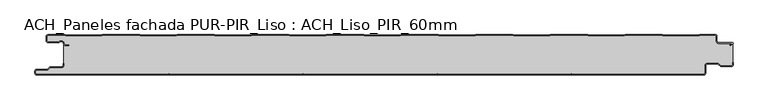
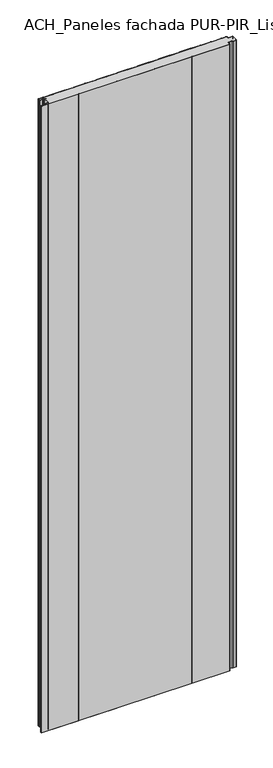
"""IFC4 building model written with IfcOpenShell, lengths in millimetres: plate geometry, ACH_Paneles fachada PUR-PIR_Liso : ACH_Liso_PIR_60mm."""

from ifc_helpers import new_model, si_unit, point, frame_2d, origin, origin_with_axes, place, context, project, spatial, polyline, circle_curve, trimmed, segment, composite_curve, outline, extrude, source, transform, mapped, element, save


def ach_paneles_fachada_pur_pir_liso_ach_liso_pir_60mm_f3cd5d9a(model_context):
    return source(origin(), model_context, "Body", "SweptSolid", [
        extrude(outline(composite_curve([segment(trimmed(circle_curve(frame_2d((-514.5, -57.5)), 2.5), [point((-514.5, -60.0))], [point((-517.0, -57.5))], False, "CARTESIAN"), True, "CONTINUOUS"), segment(polyline([(-517.0, -57.5), (-517.0, -54.5)]), True, "CONTINUOUS"), segment(trimmed(circle_curve(frame_2d((-514.5, -54.5)), 2.5), [point((-517.0, -54.5))], [point((-514.5, -52.0))], False, "CARTESIAN"), True, "CONTINUOUS"), segment(polyline([(-514.5, -52.0), (-498.5, -52.0), (-494.75, -48.25), (-477.0, -48.25)]), True, "CONTINUOUS"), segment(trimmed(circle_curve(frame_2d((-477.0, -46.25)), 2.0), [point((-477.0, -48.25))], [point((-475.0, -46.25))], True, "CARTESIAN"), True, "CONTINUOUS"), segment(polyline([(-475.0, -46.25), (-475.0, -43.25), (-474.2, -43.25), (-474.2, -46.25)]), True, "CONTINUOUS"), segment(trimmed(circle_curve(frame_2d((-477.0, -46.25)), 2.8), [point((-474.2, -46.25))], [point((-477.0, -49.05))], False, "CARTESIAN"), True, "CONTINUOUS"), segment(polyline([(-477.0, -49.05), (-494.4186292, -49.05), (-498.1686292, -52.8), (-514.5, -52.8)]), True, "CONTINUOUS"), segment(trimmed(circle_curve(frame_2d((-514.5, -54.5)), 1.7), [point((-514.5, -52.8))], [point((-516.2, -54.5))], True, "CARTESIAN"), True, "CONTINUOUS"), segment(polyline([(-516.2, -54.5), (-516.2, -57.5)]), True, "CONTINUOUS"), segment(trimmed(circle_curve(frame_2d((-514.5, -57.5)), 1.7), [point((-516.2, -57.5))], [point((-514.5, -59.2))], True, "CARTESIAN"), True, "CONTINUOUS"), segment(polyline([(-514.5, -59.2), (480.5, -59.2)]), True, "CONTINUOUS"), segment(trimmed(circle_curve(frame_2d((480.5, -57.5)), 1.7), [point((480.5, -59.2))], [point((482.2, -57.5))], True, "CARTESIAN"), True, "CONTINUOUS"), segment(polyline([(482.2, -57.5), (482.2, -46.0)]), True, "CONTINUOUS"), segment(trimmed(circle_curve(frame_2d((485.0, -46.0)), 2.8), [point((482.2, -46.0))], [point((485.0, -43.2))], False, "CARTESIAN"), True, "CONTINUOUS"), segment(polyline([(485.0, -43.2), (501.7886271, -43.2), (505.8492873, -46.95), (521.5, -46.95)]), True, "CONTINUOUS"), segment(trimmed(circle_curve(frame_2d((521.5, -45.25)), 1.7), [point((521.5, -46.95))], [point((523.2, -45.25))], True, "CARTESIAN"), True, "CONTINUOUS"), segment(polyline([(523.2, -45.25), (523.2, -41.75), (524.0, -41.75), (524.0, -45.25)]), True, "CONTINUOUS"), segment(trimmed(circle_curve(frame_2d((521.5, -45.25)), 2.5), [point((524.0, -45.25))], [point((521.5, -47.75))], False, "CARTESIAN"), True, "CONTINUOUS"), segment(polyline([(521.5, -47.75), (505.5363961, -47.75), (501.4757359, -44.0), (485.0, -44.0)]), True, "CONTINUOUS"), segment(trimmed(circle_curve(frame_2d((485.0, -46.0)), 2.0), [point((485.0, -44.0))], [point((483.0, -46.0))], True, "CARTESIAN"), True, "CONTINUOUS"), segment(polyline([(483.0, -46.0), (483.0, -57.5)]), True, "CONTINUOUS"), segment(trimmed(circle_curve(frame_2d((480.5, -57.5)), 2.5), [point((483.0, -57.5))], [point((480.5, -60.0))], False, "CARTESIAN"), True, "CONTINUOUS"), segment(polyline([(480.5, -60.0), (-514.5, -60.0)]), True, "CONTINUOUS")], self_intersect=False)), origin_with_axes(), (0.0, 0.0, 1.0), 3500.0),
        extrude(outline(composite_curve([segment(trimmed(circle_curve(frame_2d((-497.49499, -9.0180361)), 2.50501), [point((-497.49499, -11.5230461))], [point((-500.0, -9.0180361))], False, "CARTESIAN"), True, "CONTINUOUS"), segment(polyline([(-500.0, -9.0180361), (-500.0, -2.50501)]), True, "CONTINUOUS"), segment(trimmed(circle_curve(frame_2d((-497.49499, -2.50501)), 2.50501), [point((-500.0, -2.50501))], [point((-497.49499, 0.0))], False, "CARTESIAN"), True, "CONTINUOUS"), segment(polyline([(-497.49499, 0.0), (-472.2103007, 0.0), (-471.028188, -0.6012024), (-417.6391467, -0.6012024), (-416.457034, 0.0), (-360.8776353, 0.0), (-359.6955227, -0.6012024), (-306.3064814, -0.6012024), (-305.1243687, 0.0), (-249.54497, 0.0), (-248.3628573, -0.6012024), (-194.973816, -0.6012024), (-193.7917033, 0.0), (-138.2123047, 0.0), (-137.030192, -0.6012024), (-83.6411507, -0.6012024), (-82.459038, 0.0), (-26.8796393, 0.0), (-25.6975267, -0.6012024), (27.6915146, -0.6012024), (28.8736273, 0.0), (84.453026, 0.0), (85.6351387, -0.6012024), (139.02418, -0.6012024), (140.2062927, 0.0), (195.7856913, 0.0), (196.967804, -0.6012024), (250.3568453, -0.6012024), (251.538958, 0.0), (307.1183566, 0.0), (308.3004693, -0.6012024), (361.6895106, -0.6012024), (362.8716233, 0.0), (418.451022, 0.0), (419.6331347, -0.6012024), (473.022176, -0.6012024), (474.2042886, 0.0), (497.49499, 0.0)]), True, "CONTINUOUS"), segment(trimmed(circle_curve(frame_2d((497.49499, -2.50501)), 2.50501), [point((497.49499, 0.0))], [point((500.0, -2.50501))], False, "CARTESIAN"), True, "CONTINUOUS"), segment(polyline([(500.0, -2.50501), (500.0, -10.0200401)]), True, "CONTINUOUS"), segment(trimmed(circle_curve(frame_2d((502.004008, -10.0200401)), 2.004008), [point((500.0, -10.0200401))], [point((502.004008, -12.0240481))], True, "CARTESIAN"), True, "CONTINUOUS"), segment(polyline([(502.004008, -12.0240481), (522.96027, -12.0240481)]), True, "CONTINUOUS"), segment(trimmed(circle_curve(frame_2d((522.96027, -13.0490481)), 1.025), [point((522.96027, -12.0240481))], [point((523.47277, -13.9367241))], False, "CARTESIAN"), True, "CONTINUOUS"), segment(polyline([(523.47277, -13.9367241), (519.5390782, -16.2078422), (519.1390782, -15.5150218), (522.183956, -13.7570608)]), True, "CONTINUOUS"), segment(trimmed(circle_curve(frame_2d((521.933956, -13.3240481)), 0.5), [point((522.183956, -13.7570608))], [point((521.933956, -12.8240481))], True, "CARTESIAN"), True, "CONTINUOUS"), segment(polyline([(521.933956, -12.8240481), (502.004008, -12.8240481)]), True, "CONTINUOUS"), segment(trimmed(circle_curve(frame_2d((502.004008, -10.0200401)), 2.804008), [point((502.004008, -12.8240481))], [point((499.2, -10.0200401))], False, "CARTESIAN"), True, "CONTINUOUS"), segment(polyline([(499.2, -10.0200401), (499.2, -2.50501)]), True, "CONTINUOUS"), segment(trimmed(circle_curve(frame_2d((497.49499, -2.50501)), 1.70501), [point((499.2, -2.50501))], [point((497.49499, -0.8))], True, "CARTESIAN"), True, "CONTINUOUS"), segment(polyline([(497.49499, -0.8), (474.396035, -0.8), (473.2139223, -1.4012024), (419.4413883, -1.4012024), (418.2592756, -0.8), (363.0633697, -0.8), (361.881257, -1.4012024), (308.108723, -1.4012024), (306.9266103, -0.8), (251.7307044, -0.8), (250.5485917, -1.4012024), (196.7760576, -1.4012024), (195.5939449, -0.8), (140.398039, -0.8), (139.2159263, -1.4012024), (85.4433923, -1.4012024), (84.2612796, -0.8), (29.0653737, -0.8), (27.883261, -1.4012024), (-25.889273, -1.4012024), (-27.0713857, -0.8), (-82.2672916, -0.8), (-83.4494043, -1.4012024), (-137.2219384, -1.4012024), (-138.4040511, -0.8), (-193.599957, -0.8), (-194.7820696, -1.4012024), (-248.5546037, -1.4012024), (-249.7367164, -0.8), (-304.9326223, -0.8), (-306.114735, -1.4012024), (-359.887269, -1.4012024), (-361.0693817, -0.8), (-416.2652876, -0.8), (-417.4474003, -1.4012024), (-471.2199344, -1.4012024), (-472.4020471, -0.8), (-497.49499, -0.8)]), True, "CONTINUOUS"), segment(trimmed(circle_curve(frame_2d((-497.49499, -2.50501)), 1.70501), [point((-497.49499, -0.8))], [point((-499.2, -2.50501))], True, "CARTESIAN"), True, "CONTINUOUS"), segment(polyline([(-499.2, -2.50501), (-499.2, -9.0180361)]), True, "CONTINUOUS"), segment(trimmed(circle_curve(frame_2d((-497.49499, -9.0180361)), 1.70501), [point((-499.2, -9.0180361))], [point((-497.49499, -10.7230461))], True, "CARTESIAN"), True, "CONTINUOUS"), segment(polyline([(-497.49499, -10.7230461), (-481.8173283, -10.7230461)]), True, "CONTINUOUS"), segment(trimmed(circle_curve(frame_2d((-481.8173283, -9.0180361)), 1.70501), [point((-481.8173283, -10.7230461))], [point((-480.6895701, -10.2967936))], True, "CARTESIAN"), True, "CONTINUOUS"), segment(trimmed(circle_curve(frame_2d((-477.8407481, -13.5270541)), 4.307014), [point((-480.6895701, -10.2967936))], [point((-473.7934788, -12.0539686))], False, "CARTESIAN"), True, "CONTINUOUS"), segment(polyline([(-473.7934788, -12.0539686), (-473.0450711, -14.1102019)]), True, "CONTINUOUS"), segment(trimmed(circle_curve(frame_2d((-471.4428858, -13.5270541)), 1.70501), [point((-473.0450711, -14.1102019))], [point((-471.4428858, -15.2320641))], True, "CARTESIAN"), True, "CONTINUOUS"), segment(polyline([(-471.4428858, -15.2320641), (-466.4328657, -15.2320641), (-466.4328657, -16.0320641), (-471.4428858, -16.0320641)]), True, "CONTINUOUS"), segment(trimmed(circle_curve(frame_2d((-471.4428858, -13.5270541)), 2.50501), [point((-471.4428858, -16.0320641))], [point((-473.7968252, -14.383818))], False, "CARTESIAN"), True, "CONTINUOUS"), segment(polyline([(-473.7968252, -14.383818), (-474.5452329, -12.3275847)]), True, "CONTINUOUS"), segment(trimmed(circle_curve(frame_2d((-477.8407481, -13.5270541)), 3.507014), [point((-474.5452329, -12.3275847))], [point((-480.1604199, -10.8967936))], True, "CARTESIAN"), True, "CONTINUOUS"), segment(trimmed(circle_curve(frame_2d((-481.8173283, -9.0180361)), 2.50501), [point((-480.1604199, -10.8967936))], [point((-481.8173283, -11.5230461))], False, "CARTESIAN"), True, "CONTINUOUS"), segment(polyline([(-481.8173283, -11.5230461), (-497.49499, -11.5230461)]), True, "CONTINUOUS")], self_intersect=False)), origin_with_axes(), (0.0, 0.0, 1.0), 3500.0),
        extrude(outline(composite_curve([segment(polyline([(523.2, -12.8240481), (523.2, -45.25)]), True, "CONTINUOUS"), segment(trimmed(circle_curve(frame_2d((521.5, -45.25)), 1.7), [point((523.2, -45.25))], [point((521.5, -46.95))], False, "CARTESIAN"), True, "CONTINUOUS"), segment(polyline([(521.5, -46.95), (505.8492873, -46.95), (501.7886271, -43.2), (485.0, -43.2)]), True, "CONTINUOUS"), segment(trimmed(circle_curve(frame_2d((485.0, -46.0)), 2.8), [point((485.0, -43.2))], [point((482.2, -46.0))], True, "CARTESIAN"), True, "CONTINUOUS"), segment(polyline([(482.2, -46.0), (482.2, -57.5)]), True, "CONTINUOUS"), segment(trimmed(circle_curve(frame_2d((480.5, -57.5)), 1.7), [point((482.2, -57.5))], [point((480.5, -59.2))], False, "CARTESIAN"), True, "CONTINUOUS"), segment(polyline([(480.5, -59.2), (285.5, -59.2)]), True, "CONTINUOUS"), segment(trimmed(circle_curve(frame_2d((285.5, -57.5)), 1.7), [point((285.5, -59.2))], [point((284.0845596, -58.4415563))], False, "CARTESIAN"), True, "CONTINUOUS"), segment(trimmed(circle_curve(frame_2d((283.0, -59.1630095)), 1.302599), [point((284.0845596, -58.4415563))], [point((281.9154404, -58.4415563))], True, "CARTESIAN"), True, "CONTINUOUS"), segment(trimmed(circle_curve(frame_2d((280.5, -57.5)), 1.7), [point((281.9154404, -58.4415563))], [point((280.5, -59.2))], False, "CARTESIAN"), True, "CONTINUOUS"), segment(polyline([(280.5, -59.2), (85.5, -59.2)]), True, "CONTINUOUS"), segment(trimmed(circle_curve(frame_2d((85.5, -57.5)), 1.7), [point((85.5, -59.2))], [point((84.0845596, -58.4415563))], False, "CARTESIAN"), True, "CONTINUOUS"), segment(trimmed(circle_curve(frame_2d((83.0, -59.1630095)), 1.302599), [point((84.0845596, -58.4415563))], [point((81.9154404, -58.4415563))], True, "CARTESIAN"), True, "CONTINUOUS"), segment(trimmed(circle_curve(frame_2d((80.5, -57.5)), 1.7), [point((81.9154404, -58.4415563))], [point((80.5, -59.2))], False, "CARTESIAN"), True, "CONTINUOUS"), segment(polyline([(80.5, -59.2), (-114.5, -59.2)]), True, "CONTINUOUS"), segment(trimmed(circle_curve(frame_2d((-114.5, -57.5)), 1.7), [point((-114.5, -59.2))], [point((-115.9154404, -58.4415563))], False, "CARTESIAN"), True, "CONTINUOUS"), segment(trimmed(circle_curve(frame_2d((-117.0, -59.1630095)), 1.302599), [point((-115.9154404, -58.4415563))], [point((-118.0845596, -58.4415563))], True, "CARTESIAN"), True, "CONTINUOUS"), segment(trimmed(circle_curve(frame_2d((-119.5, -57.5)), 1.7), [point((-118.0845596, -58.4415563))], [point((-119.5, -59.2))], False, "CARTESIAN"), True, "CONTINUOUS"), segment(polyline([(-119.5, -59.2), (-314.5, -59.2)]), True, "CONTINUOUS"), segment(trimmed(circle_curve(frame_2d((-314.5, -57.5)), 1.7), [point((-314.5, -59.2))], [point((-315.9154404, -58.4415563))], False, "CARTESIAN"), True, "CONTINUOUS"), segment(trimmed(circle_curve(frame_2d((-317.0, -59.1630095)), 1.302599), [point((-315.9154404, -58.4415563))], [point((-318.0845596, -58.4415563))], True, "CARTESIAN"), True, "CONTINUOUS"), segment(trimmed(circle_curve(frame_2d((-319.5, -57.5)), 1.7), [point((-318.0845596, -58.4415563))], [point((-319.5, -59.2))], False, "CARTESIAN"), True, "CONTINUOUS"), segment(polyline([(-319.5, -59.2), (-514.5, -59.2)]), True, "CONTINUOUS"), segment(trimmed(circle_curve(frame_2d((-514.5, -57.5)), 1.7), [point((-514.5, -59.2))], [point((-516.2, -57.5))], False, "CARTESIAN"), True, "CONTINUOUS"), segment(polyline([(-516.2, -57.5), (-516.2, -54.5)]), True, "CONTINUOUS"), segment(trimmed(circle_curve(frame_2d((-514.5, -54.5)), 1.7), [point((-516.2, -54.5))], [point((-514.5, -52.8))], False, "CARTESIAN"), True, "CONTINUOUS"), segment(polyline([(-514.5, -52.8), (-498.1686292, -52.8), (-494.4186292, -49.05), (-477.0, -49.05)]), True, "CONTINUOUS"), segment(trimmed(circle_curve(frame_2d((-477.0, -46.25)), 2.8), [point((-477.0, -49.05))], [point((-474.2, -46.25))], True, "CARTESIAN"), True, "CONTINUOUS"), segment(polyline([(-474.2, -46.25), (-474.2, -11.2258973)]), True, "CONTINUOUS"), segment(trimmed(circle_curve(frame_2d((-477.8407481, -13.5270541)), 4.307014), [point((-474.2, -11.2258973))], [point((-480.6895701, -10.2967936))], True, "CARTESIAN"), True, "CONTINUOUS"), segment(trimmed(circle_curve(frame_2d((-481.8173283, -9.0180361)), 1.70501), [point((-480.6895701, -10.2967936))], [point((-481.8173283, -10.7230461))], False, "CARTESIAN"), True, "CONTINUOUS"), segment(polyline([(-481.8173283, -10.7230461), (-497.49499, -10.7230461)]), True, "CONTINUOUS"), segment(trimmed(circle_curve(frame_2d((-497.49499, -9.0180361)), 1.70501), [point((-497.49499, -10.7230461))], [point((-499.2, -9.0180361))], False, "CARTESIAN"), True, "CONTINUOUS"), segment(polyline([(-499.2, -9.0180361), (-499.2, -2.50501)]), True, "CONTINUOUS"), segment(trimmed(circle_curve(frame_2d((-497.49499, -2.50501)), 1.70501), [point((-499.2, -2.50501))], [point((-497.49499, -0.8))], False, "CARTESIAN"), True, "CONTINUOUS"), segment(polyline([(-497.49499, -0.8), (-472.4020471, -0.8), (-471.2199344, -1.4012024), (-417.4474003, -1.4012024), (-416.2652876, -0.8), (-361.0693817, -0.8), (-359.887269, -1.4012024), (-306.114735, -1.4012024), (-304.9326223, -0.8), (-249.7367164, -0.8), (-248.5546037, -1.4012024), (-194.7820696, -1.4012024), (-193.599957, -0.8), (-138.4040511, -0.8), (-137.2219384, -1.4012024), (-83.4494043, -1.4012024), (-82.2672916, -0.8), (-27.0713857, -0.8), (-25.889273, -1.4012024), (27.883261, -1.4012024), (29.0653737, -0.8), (84.2612796, -0.8), (85.4433923, -1.4012024), (139.2159263, -1.4012024), (140.398039, -0.8), (195.5939449, -0.8), (196.7760576, -1.4012024), (250.5485917, -1.4012024), (251.7307044, -0.8), (306.9266103, -0.8), (308.108723, -1.4012024), (361.881257, -1.4012024), (363.0633697, -0.8), (418.2592756, -0.8), (419.4413883, -1.4012024), (473.2139223, -1.4012024), (474.396035, -0.8), (497.49499, -0.8)]), True, "CONTINUOUS"), segment(trimmed(circle_curve(frame_2d((497.49499, -2.50501)), 1.70501), [point((497.49499, -0.8))], [point((499.2, -2.50501))], False, "CARTESIAN"), True, "CONTINUOUS"), segment(polyline([(499.2, -2.50501), (499.2, -10.0200401)]), True, "CONTINUOUS"), segment(trimmed(circle_curve(frame_2d((502.004008, -10.0200401)), 2.804008), [point((499.2, -10.0200401))], [point((502.004008, -12.8240481))], True, "CARTESIAN"), True, "CONTINUOUS"), segment(polyline([(502.004008, -12.8240481), (523.2, -12.8240481)]), True, "CONTINUOUS")], self_intersect=False)), origin_with_axes(), (0.0, 0.0, 1.0), 3500.0),
    ])


if __name__ == "__main__":
    model = new_model("IFC4")
    model_context = context("Model", 3, world=origin())
    ifc_project = project(units=[si_unit("LENGTHUNIT", "METRE", prefix="MILLI")], contexts=[model_context])
    site = spatial("IfcSite", under=ifc_project)
    building = spatial("IfcBuilding", under=site)
    placement = place(None, origin())
    ach_paneles_fachada_pur_pir_liso_ach_liso_pir_60mm_shape = ach_paneles_fachada_pur_pir_liso_ach_liso_pir_60mm_f3cd5d9a(model_context)
    element("IfcPlate", 1, ObjectType="ACH_Paneles fachada PUR-PIR_Liso : ACH_Liso_PIR_60mm", at=placement, inside=building, context=model_context, shape_type="MappedRepresentation", body=[
        mapped(ach_paneles_fachada_pur_pir_liso_ach_liso_pir_60mm_shape, transform((0.0, 0.0, 0.0), x_axis=(1.0, 0.0, 0.0), y_axis=(0.0, 1.0, 0.0), z_axis=(0.0, 0.0, 1.0))),
    ])
    save(model, "model.ifc")
